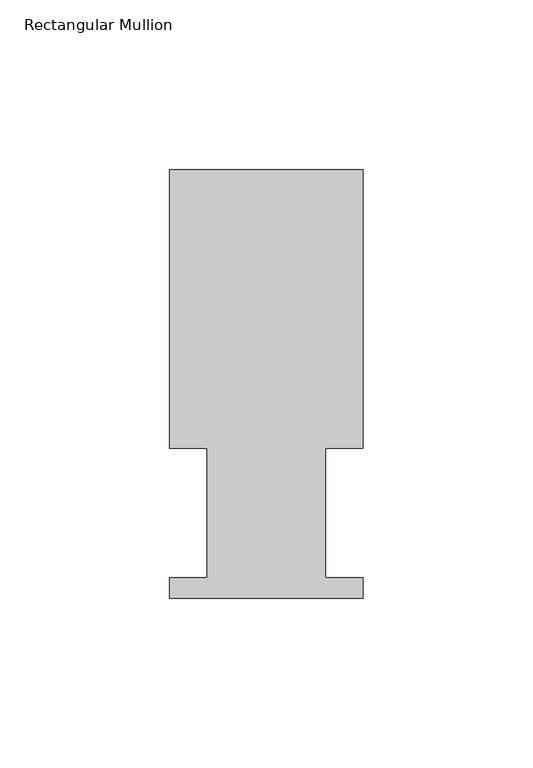
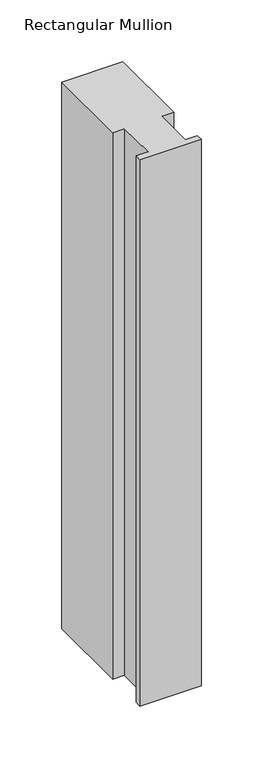
"""IFC4 building model written with IfcOpenShell, lengths in millimetres: member geometry, Rectangular Mullion."""

from ifc_helpers import new_model, si_unit, frame, origin, place, context, project, spatial, polyline, outline, extrude, source, transform, mapped, element, save


def rectangular_mullion_6a717516(model_context):
    return source(origin(), model_context, "Body", "SweptSolid", [
        extrude(outline(polyline([(0.0, 126.619), (0.0, 44.45), (-11.1120704, 44.45), (-11.1120704, 6.35), (0.0, 6.35), (0.0, 0.2798837), (-57.15, 0.2798837), (-57.15, 6.35), (-46.0370705, 6.35), (-46.0370705, 44.45), (-57.15, 44.45), (-57.15, 126.619), (0.0, 126.619)])), frame((0.0, 0.0, -539.75), z_axis=(0.0, 0.0, 1.0), x_axis=(1.0, 0.0, 0.0)), (0.0, 0.0, 1.0), 539.75),
    ])


if __name__ == "__main__":
    model = new_model("IFC4")
    model_context = context("Model", 3, world=origin())
    ifc_project = project(units=[si_unit("LENGTHUNIT", "METRE", prefix="MILLI")], contexts=[model_context])
    site = spatial("IfcSite", under=ifc_project)
    building = spatial("IfcBuilding", under=site)
    placement = place(None, origin())
    rectangular_mullion_shape = rectangular_mullion_6a717516(model_context)
    element("IfcMember", 1, ObjectType="Rectangular Mullion", at=placement, inside=building, context=model_context, shape_type="MappedRepresentation", body=[
        mapped(rectangular_mullion_shape, transform((0.0, 0.0, 0.0), x_axis=(1.0, 0.0, 0.0), y_axis=(0.0, 1.0, 0.0), z_axis=(0.0, 0.0, 1.0))),
    ])
    save(model, "model.ifc")
